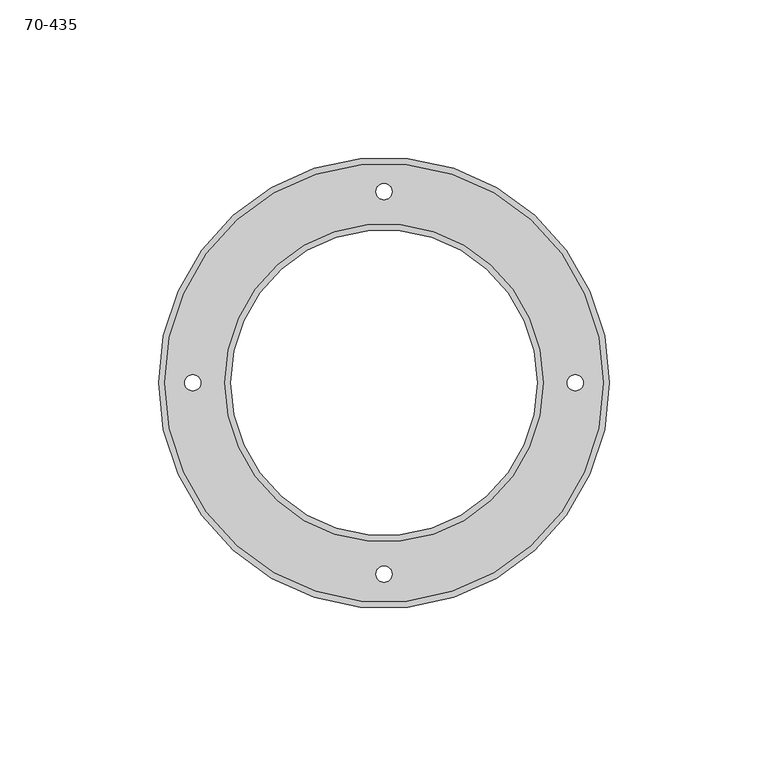
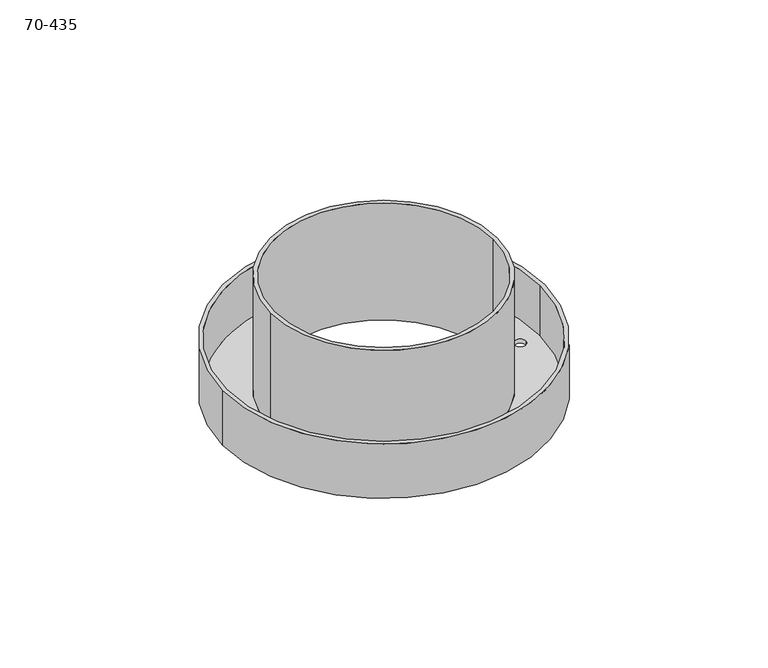
"""IFC4 building model written with IfcOpenShell, lengths in millimetres: proxy geometry, 70-435."""

from ifc_helpers import new_model, si_unit, frame, origin, origin_with_axes, place, context, project, spatial, polyline, circle_curve, source, transform, mapped, element, save
from ifc_brep_helpers import plane_surface, cylinder_surface, revolved_surface, advanced_brep


def proxy_70_435_42f41bdd(model_context):
    return source(origin(), model_context, "Body", "AdvancedBrep", [
        advanced_brep(
        [(71.12, 0.0, 0.0), (71.12, 0.0, 25.4), (-71.12, 0.0, 25.4), (-71.12, 0.0, 0.0), (69.215, 0.0, 25.4), (69.215, 0.0, 1.905), (-69.215, 0.0, 1.905), (-69.215, 0.0, 25.4), (-50.165, 0.0, 1.905), (-50.165, 0.0, 54.61), (50.165, 0.0, 54.61), (50.165, 0.0, 1.905), (-48.26, 0.0, 54.61), (-48.26, 0.0, 0.0), (48.26, 0.0, 0.0), (48.26, 0.0, 54.61), (57.785, 0.0, 1.905), (57.785, 0.0, 0.0), (62.865, 0.0, 0.0), (62.865, 0.0, 1.905), (-2.54, 60.325, 1.905), (-2.54, 60.325, 0.0), (2.54, 60.325, 0.0), (2.54, 60.325, 1.905), (-2.54, -60.325, 1.905), (-2.54, -60.325, 0.0), (2.54, -60.325, 0.0), (2.54, -60.325, 1.905), (-62.865, 0.0, 1.905), (-62.865, 0.0, 0.0), (-57.785, 0.0, 0.0), (-57.785, 0.0, 1.905)],
        [
            (0, 1),
            (1, 2, circle_curve(frame((0.0, 0.0, 25.4), z_axis=(0.0, 0.0, -1.0), x_axis=(1.0, 0.0, 0.0)), 71.12)),
            (2, 3),
            (3, 0, circle_curve(origin_with_axes(), 71.12)),
            (4, 5),
            (5, 6, circle_curve(frame((0.0, 0.0, 1.905), z_axis=(0.0, 0.0, -1.0), x_axis=(1.0, 0.0, 0.0)), 69.215)),
            (6, 7),
            (7, 4, circle_curve(frame((0.0, 0.0, 25.4), z_axis=(0.0, 0.0, 1.0), x_axis=(1.0, 0.0, 0.0)), 69.215)),
            (8, 9),
            (9, 10, circle_curve(frame((0.0, 0.0, 54.61), z_axis=(0.0, 0.0, -1.0), x_axis=(-1.0, 0.0, 0.0)), 50.165)),
            (10, 11),
            (11, 8, circle_curve(frame((0.0, 0.0, 1.905), z_axis=(0.0, 0.0, 1.0), x_axis=(-1.0, 0.0, 0.0)), 50.165)),
            (12, 13),
            (13, 14, circle_curve(frame((0.0, 0.0, 0.0), z_axis=(0.0, 0.0, -1.0), x_axis=(-1.0, 0.0, 0.0)), 48.26)),
            (14, 15),
            (15, 12, circle_curve(frame((0.0, 0.0, 54.61), z_axis=(0.0, 0.0, 1.0), x_axis=(-1.0, 0.0, 0.0)), 48.26)),
            (16, 17),
            (17, 18, circle_curve(frame((60.325, 0.0, 0.0), z_axis=(0.0, 0.0, -1.0), x_axis=(-1.0, 0.0, 0.0)), 2.54)),
            (18, 19),
            (19, 16, circle_curve(frame((60.325, 0.0, 1.905), z_axis=(0.0, 0.0, 1.0), x_axis=(-1.0, 0.0, 0.0)), 2.54)),
            (20, 21),
            (21, 22, circle_curve(frame((0.0, 60.325, 0.0), z_axis=(0.0, 0.0, -1.0), x_axis=(-1.0, 0.0, 0.0)), 2.54)),
            (22, 23),
            (23, 20, circle_curve(frame((0.0, 60.325, 1.905), z_axis=(0.0, 0.0, 1.0), x_axis=(-1.0, 0.0, 0.0)), 2.54)),
            (24, 25),
            (25, 26, circle_curve(frame((0.0, -60.325, 0.0), z_axis=(0.0, 0.0, -1.0), x_axis=(-1.0, 0.0, 0.0)), 2.54)),
            (26, 27),
            (27, 24, circle_curve(frame((0.0, -60.325, 1.905), z_axis=(0.0, 0.0, 1.0), x_axis=(-1.0, 0.0, 0.0)), 2.54)),
            (28, 29),
            (29, 30, circle_curve(frame((-60.325, 0.0, 0.0), z_axis=(0.0, 0.0, -1.0), x_axis=(-1.0, 0.0, 0.0)), 2.54)),
            (30, 31),
            (31, 28, circle_curve(frame((-60.325, 0.0, 1.905), z_axis=(0.0, 0.0, 1.0), x_axis=(-1.0, 0.0, 0.0)), 2.54)),
            (28, 31, circle_curve(frame((-60.325, 0.0, 1.905), z_axis=(0.0, 0.0, 1.0), x_axis=(-1.0, 0.0, 0.0)), 2.54)),
            (30, 29, circle_curve(frame((-60.325, 0.0, 0.0), z_axis=(0.0, 0.0, -1.0), x_axis=(-1.0, 0.0, 0.0)), 2.54)),
            (24, 27, circle_curve(frame((0.0, -60.325, 1.905), z_axis=(0.0, 0.0, 1.0), x_axis=(-1.0, 0.0, 0.0)), 2.54)),
            (26, 25, circle_curve(frame((0.0, -60.325, 0.0), z_axis=(0.0, 0.0, -1.0), x_axis=(-1.0, 0.0, 0.0)), 2.54)),
            (20, 23, circle_curve(frame((0.0, 60.325, 1.905), z_axis=(0.0, 0.0, 1.0), x_axis=(-1.0, 0.0, 0.0)), 2.54)),
            (22, 21, circle_curve(frame((0.0, 60.325, 0.0), z_axis=(0.0, 0.0, -1.0), x_axis=(-1.0, 0.0, 0.0)), 2.54)),
            (16, 19, circle_curve(frame((60.325, 0.0, 1.905), z_axis=(0.0, 0.0, 1.0), x_axis=(-1.0, 0.0, 0.0)), 2.54)),
            (18, 17, circle_curve(frame((60.325, 0.0, 0.0), z_axis=(0.0, 0.0, -1.0), x_axis=(-1.0, 0.0, 0.0)), 2.54)),
            (5, 6, circle_curve(frame((0.0, 0.0, 1.905), z_axis=(0.0, 0.0, 1.0), x_axis=(1.0, 0.0, 0.0)), 69.215)),
            (11, 8, circle_curve(frame((0.0, 0.0, 1.905), z_axis=(0.0, 0.0, -1.0), x_axis=(-1.0, 0.0, 0.0)), 50.165)),
            (12, 15, circle_curve(frame((0.0, 0.0, 54.61), z_axis=(0.0, 0.0, 1.0), x_axis=(-1.0, 0.0, 0.0)), 48.26)),
            (14, 13, circle_curve(frame((0.0, 0.0, 0.0), z_axis=(0.0, 0.0, -1.0), x_axis=(-1.0, 0.0, 0.0)), 48.26)),
            (10, 9, circle_curve(frame((0.0, 0.0, 54.61), z_axis=(0.0, 0.0, -1.0), x_axis=(-1.0, 0.0, 0.0)), 50.165)),
            (3, 0, circle_curve(frame((0.0, 0.0, 0.0), z_axis=(0.0, 0.0, -1.0), x_axis=(1.0, 0.0, 0.0)), 71.12)),
            (4, 7, circle_curve(frame((0.0, 0.0, 25.4), z_axis=(0.0, 0.0, 1.0), x_axis=(1.0, 0.0, 0.0)), 69.215)),
            (2, 1, circle_curve(frame((0.0, 0.0, 25.4), z_axis=(0.0, 0.0, -1.0), x_axis=(1.0, 0.0, 0.0)), 71.12)),
        ],
        [
            cylinder_surface(origin_with_axes(), 71.12),
            revolved_surface(polyline([(69.215, 0.0, 25.4), (69.215, 0.0, 1.905)]), (0.0, 0.0, 0.0), (0.0, 0.0, 1.0)),
            cylinder_surface(frame((0.0, 0.0, 0.0), z_axis=(0.0, 0.0, 1.0), x_axis=(-1.0, 0.0, 0.0)), 50.165),
            revolved_surface(polyline([(-48.26, 0.0, 54.61), (-48.26, 0.0, 0.0)]), (0.0, 0.0, 0.0), (0.0, 0.0, 1.0)),
            revolved_surface(polyline([(57.785000000000004, 0.0, 0.0), (57.785000000000004, 0.0, 1.9050000000000002)]), (60.325, 0.0, 9.525), (0.0, 0.0, -1.0)),
            revolved_surface(polyline([(-2.54, 60.325, 0.0), (-2.54, 60.325, 1.9050000000000002)]), (0.0, 60.325, 9.525), (0.0, 0.0, -1.0)),
            revolved_surface(polyline([(-2.54, -60.325, 0.0), (-2.54, -60.325, 1.9050000000000002)]), (0.0, -60.325, 9.525), (0.0, 0.0, -1.0)),
            revolved_surface(polyline([(-62.865, 0.0, 0.0), (-62.865, 0.0, 1.9050000000000002)]), (-60.325, 0.0, 9.525), (0.0, 0.0, -1.0)),
            plane_surface(frame((0.0, 0.0, 1.905), z_axis=(0.0, 0.0, 1.0), x_axis=(1.0, 0.0, 0.0))),
            plane_surface(frame((0.0, 0.0, 54.61), z_axis=(0.0, 0.0, 1.0), x_axis=(-1.0, 0.0, 0.0))),
            plane_surface(frame((0.0, 0.0, 0.0), z_axis=(0.0, 0.0, -1.0), x_axis=(-1.0, 0.0, 0.0))),
            plane_surface(frame((0.0, 0.0, 25.4), z_axis=(0.0, 0.0, 1.0), x_axis=(1.0, 0.0, 0.0))),
        ],
        [
            (0, [[1, 2, 3, 4]]),
            (1, [[5, 6, 7, 8]]),
            (2, [[9, 10, 11, 12]]),
            (3, [[13, 14, 15, 16]]),
            (4, [[17, 18, 19, 20]]),
            (5, [[21, 22, 23, 24]]),
            (6, [[25, 26, 27, 28]]),
            (7, [[29, 30, 31, 32]]),
            (7, [[-29, 33, -31, 34]]),
            (6, [[-25, 35, -27, 36]]),
            (5, [[-21, 37, -23, 38]]),
            (4, [[-17, 39, -19, 40]]),
            (8, [[41, -6], [-33, -32], [-35, -28], [-37, -24], [-39, -20], [42, -12]]),
            (3, [[-13, 43, -15, 44]]),
            (2, [[-9, -42, -11, 45]]),
            (9, [[-45, -10], [-43, -16]]),
            (10, [[-4, 46], [-14, -44], [-34, -30], [-36, -26], [-38, -22], [-40, -18]]),
            (1, [[-5, 47, -7, -41]]),
            (0, [[-1, -46, -3, 48]]),
            (11, [[-48, -2], [-47, -8]]),
        ],
    ),
    ])


if __name__ == "__main__":
    model = new_model("IFC4")
    model_context = context("Model", 3, world=origin())
    ifc_project = project(units=[si_unit("LENGTHUNIT", "METRE", prefix="MILLI")], contexts=[model_context])
    site = spatial("IfcSite", under=ifc_project)
    building = spatial("IfcBuilding", under=site)
    placement = place(None, origin())
    proxy_70_435_shape = proxy_70_435_42f41bdd(model_context)
    element("IfcBuildingElementProxy", 1, Name="70-435", ObjectType="70-435", at=placement, inside=building, context=model_context, shape_type="MappedRepresentation", body=[
        mapped(proxy_70_435_shape, transform((0.0, 0.0, 0.0), x_axis=(1.0, 0.0, 0.0), y_axis=(0.0, 1.0, 0.0), z_axis=(0.0, 0.0, 1.0))),
    ])
    save(model, "model.ifc")
